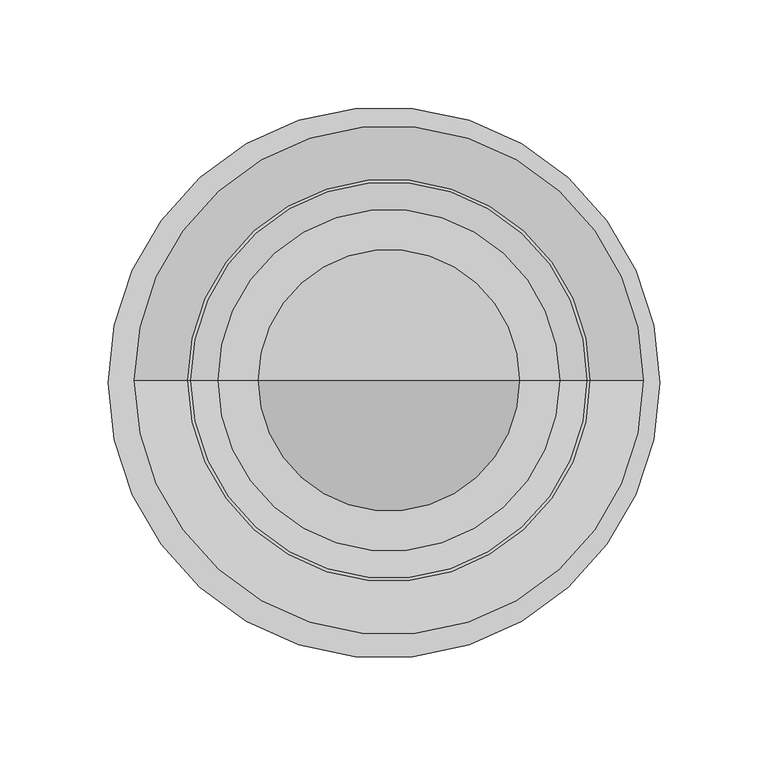
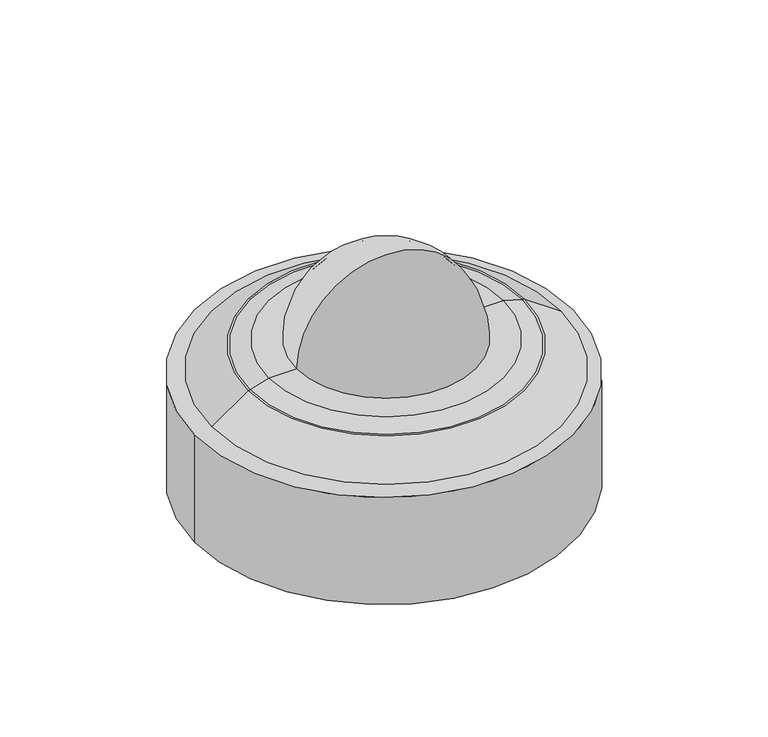
"""IFC4 building model written with IfcOpenShell, lengths in millimetres: proxy geometry."""

from ifc_helpers import new_model, si_unit, point, frame, origin, origin_with_axes, origin_2d, place, context, project, spatial, polyline, circle_curve, ellipse_curve, trimmed, segment, composite_curve, outline, extrude, source, transform, mapped, element, save
from ifc_brep_helpers import plane_surface, revolved_surface, advanced_brep


def security_devices_03a9ec3a(model_context):
    return source(origin(), model_context, "Body", "SolidModel", [
        extrude(outline(composite_curve([segment(trimmed(circle_curve(origin_2d(), 127.0), [point((-127.0, 0.0))], [point((127.0, 0.0))], False, "CARTESIAN"), True, "CONTINUOUS"), segment(trimmed(circle_curve(origin_2d(), 127.0), [point((127.0, 0.0))], [point((-127.0, 0.0))], False, "CARTESIAN"), True, "CONTINUOUS")], self_intersect=False), holes=[composite_curve([segment(trimmed(circle_curve(origin_2d(), 88.9), [point((-88.9, 0.0))], [point((88.9, 0.0))], True, "CARTESIAN"), True, "CONTINUOUS"), segment(trimmed(circle_curve(origin_2d(), 88.9), [point((88.9, 0.0))], [point((-88.9, 0.0))], True, "CARTESIAN"), True, "CONTINUOUS")], self_intersect=False)]), origin_with_axes(), (0.0, 0.0, 1.0), 76.2),
        advanced_brep(
        [(80.967938, 1.0313086, 98.2914544), (-76.4554954, 1.0313086, 98.2914544), (2.2562213, 1.0313086, 98.2914544), (93.509188, 1.0313086, 94.4814544), (-88.9967454, 1.0313086, 94.4814544), (94.937938, 1.0313086, 94.4814544), (-90.4254954, 1.0313086, 94.4814544), (119.544188, 1.0313086, 77.3364544), (-115.0317454, 1.0313086, 77.3364544), (2.2562213, 1.0313086, 77.3364544)],
        [
            (0, 1, circle_curve(frame((2.2562213, 1.0313086, 98.2914544), z_axis=(0.0, 0.0, 1.0), x_axis=(-1.0, 0.0, 0.0)), 78.7117167)),
            (1, 2),
            (2, 0),
            (1, 0, circle_curve(frame((2.2562213, 1.0313086, 98.2914544), z_axis=(0.0, 0.0, 1.0), x_axis=(-1.0, 0.0, 0.0)), 78.7117167)),
            (3, 4, circle_curve(frame((2.2562213, 1.0313086, 94.4814544), z_axis=(0.0, 0.0, 1.0), x_axis=(-1.0, 0.0, 0.0)), 91.2529667)),
            (4, 1),
            (0, 3),
            (4, 3, circle_curve(frame((2.2562213, 1.0313086, 94.4814544), z_axis=(0.0, 0.0, 1.0), x_axis=(-1.0, 0.0, 0.0)), 91.2529667)),
            (5, 6, circle_curve(frame((2.2562213, 1.0313086, 94.4814544), z_axis=(0.0, 0.0, 1.0), x_axis=(-1.0, 0.0, 0.0)), 92.6817167)),
            (6, 4),
            (3, 5),
            (6, 5, circle_curve(frame((2.2562213, 1.0313086, 94.4814544), z_axis=(0.0, 0.0, 1.0), x_axis=(-1.0, 0.0, 0.0)), 92.6817167)),
            (7, 8, circle_curve(frame((2.2562213, 1.0313086, 77.3364544), z_axis=(0.0, 0.0, 1.0), x_axis=(-1.0, 0.0, 0.0)), 117.2879667)),
            (8, 6),
            (5, 7),
            (8, 7, circle_curve(frame((2.2562213, 1.0313086, 77.3364544), z_axis=(0.0, 0.0, 1.0), x_axis=(-1.0, 0.0, 0.0)), 117.2879667)),
            (9, 8),
            (7, 9),
        ],
        [
            plane_surface(frame((2.2562213, 1.0313086, 98.2914544), z_axis=(0.0, 0.0, 1.0), x_axis=(-1.0, 0.0, 0.0))),
            revolved_surface(polyline([(-76.4554954, 1.0313086, 98.2914544), (-88.9967454, 1.0313086, 94.4814544)]), (2.2562213, 1.0313086, 1825.4914544), (0.0, 0.0, -1.0)),
            plane_surface(frame((2.2562213, 1.0313086, 94.4814544), z_axis=(0.0, 0.0, 1.0), x_axis=(-1.0, 0.0, 0.0))),
            revolved_surface(polyline([(-90.4254954, 1.0313086, 94.4814544), (-115.0317454, 1.0313086, 77.3364544)]), (2.2562213, 1.0313086, 1825.4914544), (0.0, 0.0, -1.0)),
            plane_surface(frame((2.2562213, 1.0313086, 77.3364544), z_axis=(0.0, 0.0, -1.0), x_axis=(-1.0, 0.0, 0.0))),
        ],
        [
            (0, [[1, 2, 3]]),
            (0, [[4, -3, -2]]),
            (1, [[5, 6, -1, 7]]),
            (1, [[8, -7, -4, -6]]),
            (2, [[9, 10, -5, 11]]),
            (2, [[12, -11, -8, -10]]),
            (3, [[13, 14, -9, 15]]),
            (3, [[16, -15, -12, -14]]),
            (4, [[17, -13, 18]]),
            (4, [[-18, -16, -17]]),
        ],
    ),
        advanced_brep(
        [(-58.0687787, 1.0313086, 98.2914544), (62.5812213, 1.0313086, 98.2914544), (60.9937213, 1.0313086, 98.2914544), (-56.4812787, 1.0313086, 98.2914544), (2.2562213, 1.0313086, 158.6164544), (2.2562213, 1.0313086, 157.0289544)],
        [
            (0, 1, circle_curve(frame((2.2562213, 1.0313086, 98.2914544), z_axis=(0.0, 0.0, -1.0), x_axis=(1.0, 0.0, 0.0)), 60.325)),
            (1, 2),
            (2, 3, circle_curve(frame((2.2562213, 1.0313086, 98.2914544), z_axis=(0.0, 0.0, 1.0), x_axis=(1.0, 0.0, 0.0)), 58.7375)),
            (3, 0),
            (1, 0, circle_curve(frame((2.2562213, 1.0313086, 98.2914544), z_axis=(0.0, 0.0, -1.0), x_axis=(1.0, 0.0, 0.0)), 60.325)),
            (3, 2, circle_curve(frame((2.2562213, 1.0313086, 98.2914544), z_axis=(0.0, 0.0, 1.0), x_axis=(1.0, 0.0, 0.0)), 58.7375)),
            (4, 1, circle_curve(frame((2.2562213, 1.0313086, 98.2914544), z_axis=(0.0, 1.0, 0.0), x_axis=(1.0, 0.0, 0.0)), 60.325)),
            (0, 4, circle_curve(frame((2.2562213, 1.0313086, 98.2914544), z_axis=(0.0, 1.0, 0.0), x_axis=(-1.0, 0.0, 0.0)), 60.325)),
            (2, 5, circle_curve(frame((2.2562213, 1.0313086, 98.2914544), z_axis=(0.0, -1.0, 0.0), x_axis=(1.0, 0.0, 0.0)), 58.7375)),
            (5, 3, circle_curve(frame((2.2562213, 1.0313086, 98.2914544), z_axis=(0.0, -1.0, 0.0), x_axis=(-1.0, 0.0, 0.0)), 58.7375)),
        ],
        [
            plane_surface(frame((2.2562213, 1.0313086, 98.2914544), z_axis=(0.0, 0.0, -1.0), x_axis=(1.0, 0.0, 0.0))),
            revolved_surface(trimmed(ellipse_curve(frame((2.2562213, 1.0313086, 98.2914544), z_axis=(0.0, -1.0, 0.0), x_axis=(1.0, 0.0, 0.0)), 60.325, 60.325), [point((62.5812213, 1.0313086, 98.2914544))], [point((2.2562213, 1.0313086, 158.6164544))], True, "CARTESIAN"), (2.2562213, 1.0313086, 1825.4914544), (0.0, 0.0, 1.0)),
            revolved_surface(trimmed(ellipse_curve(frame((2.2562213, 1.0313086, 98.2914544), z_axis=(0.0, 1.0, 0.0), x_axis=(1.0, 0.0, 0.0)), 58.7375, 58.7375), [point((2.2562213, 1.0313086, 157.0289544))], [point((60.9937213, 1.0313086, 98.2914544))], True, "CARTESIAN"), (2.2562213, 1.0313086, 1825.4914544), (0.0, 0.0, 1.0)),
        ],
        [
            (0, [[1, 2, 3, 4]]),
            (0, [[5, -4, 6, -2]]),
            (1, [[7, -1, 8]]),
            (1, [[-8, -5, -7]]),
            (2, [[-3, 9, 10]]),
            (2, [[-6, -10, -9]]),
        ],
    ),
    ])


if __name__ == "__main__":
    model = new_model("IFC4")
    model_context = context("Model", 3, world=origin())
    ifc_project = project(units=[si_unit("LENGTHUNIT", "METRE", prefix="MILLI")], contexts=[model_context])
    site = spatial("IfcSite", under=ifc_project)
    building = spatial("IfcBuilding", under=site)
    placement = place(None, origin())
    security_devices_shape = security_devices_03a9ec3a(model_context)
    element("IfcBuildingElementProxy", 1, Name="Security Devices", at=placement, inside=building, context=model_context, shape_type="MappedRepresentation", body=[
        mapped(security_devices_shape, transform((0.0, 0.0, 0.0), x_axis=(1.0, 0.0, 0.0), y_axis=(0.0, 1.0, 0.0), z_axis=(0.0, 0.0, 1.0))),
    ])
    save(model, "model.ifc")
